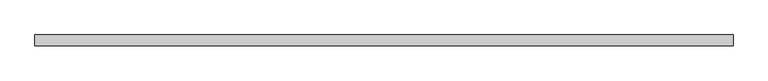
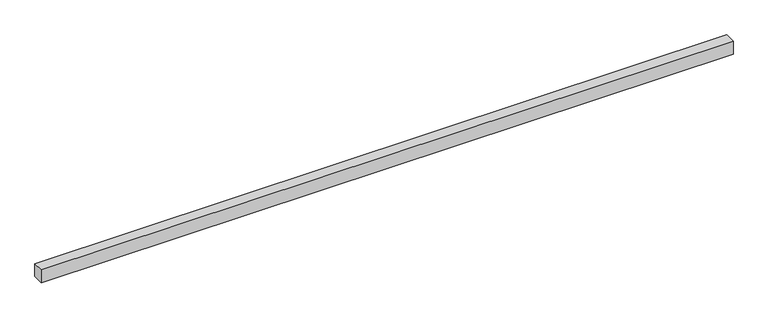
"""IFC4 building model written with IfcOpenShell, lengths in millimetres: proxy geometry."""

import ifcopenshell
import ifcopenshell.guid

model = None  # the IFC model being written
_history = None  # IfcOwnerHistory: only IFC2X3 demands one
_inside = {}  # id of a spatial element -> (the spatial element, [elements in it])
_under = {}  # id of a project, library or spatial element -> (it, [spatial elements below it])
_declared = {}  # id of a project -> (the project, [libraries it declares])
_typed = {}  # id of a type object -> (the type object, [elements of that type])
_made_of = {}  # id of a material, layer set ... -> (it, [elements and type objects made of it])


def new_model(schema):
    """Start an empty IFC model of exactly this schema.

    Asked for "IFC4X3", IfcOpenShell would pick the latest addendum, in which some entities
    have other attributes; the version numbers below select the first issue.
    IFC2X3 requires an IfcOwnerHistory on every rooted entity: one is made here for all.
    """
    global model, _history
    if schema == "IFC4X3":
        model = ifcopenshell.file(schema_version=(4, 3, 0, 0))
    else:
        model = ifcopenshell.file(schema=schema)
    _inside.clear()
    _under.clear()
    _declared.clear()
    _typed.clear()
    _made_of.clear()
    _history = None
    if model.schema == "IFC2X3":
        org = make("IfcOrganization", Name="unknown")
        user = make(
            "IfcPersonAndOrganization",
            ThePerson=make("IfcPerson", FamilyName="unknown"),
            TheOrganization=org,
        )
        app = make(
            "IfcApplication",
            ApplicationDeveloper=org,
            Version="unknown",
            ApplicationFullName="unknown",
            ApplicationIdentifier="unknown",
        )
        _history = make(
            "IfcOwnerHistory",
            OwningUser=user,
            OwningApplication=app,
            ChangeAction="ADDED",
            CreationDate=0,
        )
    return model


def make(cls, **values):
    """One entity of the class cls with the attributes given. An attribute that is None is left unset."""
    return model.create_entity(
        cls, **{name: value for name, value in values.items() if value is not None}
    )


def rooted(cls, **values):
    """An entity with a GlobalId (a new one), such as an element, a storey or a relation."""
    return make(cls, GlobalId=ifcopenshell.guid.new(), OwnerHistory=_history, **values)


def si_unit(unit_type, name, prefix=None):
    """IfcSIUnit, for example si_unit("LENGTHUNIT", "METRE", prefix="MILLI")."""
    return make("IfcSIUnit", UnitType=unit_type, Prefix=prefix, Name=name)


def assignment(units):
    """IfcUnitAssignment: the units of a project."""
    return None if units is None else make("IfcUnitAssignment", Units=units)


def point(xyz):
    """IfcCartesianPoint."""
    return None if xyz is None else make("IfcCartesianPoint", Coordinates=xyz)


def direction(xyz):
    """IfcDirection."""
    return None if xyz is None else make("IfcDirection", DirectionRatios=xyz)


def frame(location, z_axis=None, x_axis=None):
    """IfcAxis2Placement3D, a coordinate frame: its origin and axes. An axis left out is left unset."""
    return make(
        "IfcAxis2Placement3D",
        Location=point(location),
        Axis=direction(z_axis),
        RefDirection=direction(x_axis),
    )


def origin():
    """The frame at (0, 0, 0) with its axes left unset."""
    return frame((0.0, 0.0, 0.0))


def place(relative_to, where):
    """IfcLocalPlacement: puts the frame where relative to a parent placement (None: the world)."""
    return make(
        "IfcLocalPlacement", PlacementRelTo=relative_to, RelativePlacement=where
    )


def context(
    kind, dimensions, precision=None, world=None, true_north=None, identifier=None
):
    """IfcGeometricRepresentationContext, for example the 3D "Model" context."""
    return make(
        "IfcGeometricRepresentationContext",
        ContextIdentifier=identifier,
        ContextType=kind,
        CoordinateSpaceDimension=dimensions,
        Precision=precision,
        WorldCoordinateSystem=world,
        TrueNorth=true_north,
    )


def project(units=None, contexts=None):
    """IfcProject with its units and contexts."""
    return rooted(
        "IfcProject",
        Name="project",
        RepresentationContexts=contexts,
        UnitsInContext=assignment(units),
    )


def spatial(cls, under=None, at=None, **own):
    """A site, building, storey or space (cls), placed at a placement, below another one or the project."""
    s = rooted(cls, ObjectPlacement=at, **own)
    if under is not None:
        _under.setdefault(under.id(), (under, []))[1].append(s)
    return s


def polyline(points):
    """IfcPolyline through the points."""
    return make("IfcPolyline", Points=[point(p) for p in points])


def outline(outer, holes=None, kind="AREA"):
    """IfcArbitraryClosedProfileDef: a profile drawn as a closed curve; with holes, ...WithVoids."""
    if holes is None:
        return make("IfcArbitraryClosedProfileDef", ProfileType=kind, OuterCurve=outer)
    return make(
        "IfcArbitraryProfileDefWithVoids",
        ProfileType=kind,
        OuterCurve=outer,
        InnerCurves=holes,
    )


def extrude(swept, where, along, depth):
    """IfcExtrudedAreaSolid: the profile swept, set in the frame where, extruded along a direction by depth."""
    return make(
        "IfcExtrudedAreaSolid",
        SweptArea=swept,
        Position=where,
        ExtrudedDirection=direction(along),
        Depth=depth,
    )


def shape(context_of_items, identifier, shape_type, items):
    """IfcShapeRepresentation: the items that make up one representation, for example the "Body"."""
    return make(
        "IfcShapeRepresentation",
        ContextOfItems=context_of_items,
        RepresentationIdentifier=identifier,
        RepresentationType=shape_type,
        Items=items,
    )


def source(mapping_origin, context_of_items, identifier, shape_type, items):
    """IfcRepresentationMap: a shape defined once, which mapped items show again and again."""
    return make(
        "IfcRepresentationMap",
        MappingOrigin=mapping_origin,
        MappedRepresentation=shape(context_of_items, identifier, shape_type, items),
    )


def transform(
    local_origin,
    x_axis=None,
    y_axis=None,
    z_axis=None,
    scale=None,
    scale2=None,
    scale3=None,
    uniform=True,
):
    """IfcCartesianTransformationOperator3D, or its non-uniform kind. x_axis, y_axis, z_axis: its Axis1, 2, 3."""
    if uniform:
        return make(
            "IfcCartesianTransformationOperator3D",
            Axis1=direction(x_axis),
            Axis2=direction(y_axis),
            LocalOrigin=point(local_origin),
            Scale=scale,
            Axis3=direction(z_axis),
        )
    return make(
        "IfcCartesianTransformationOperator3DnonUniform",
        Axis1=direction(x_axis),
        Axis2=direction(y_axis),
        LocalOrigin=point(local_origin),
        Scale=scale,
        Axis3=direction(z_axis),
        Scale2=scale2,
        Scale3=scale3,
    )


def mapped(mapping_source, mapping_target):
    """IfcMappedItem: shows the shape of a source again, moved by a transform."""
    return make(
        "IfcMappedItem", MappingSource=mapping_source, MappingTarget=mapping_target
    )


def made_of(thing, what):
    """Note that an element or type object is made of a material, layer set ...; save() writes the relation."""
    if what is not None:
        _made_of.setdefault(what.id(), (what, []))[1].append(thing)
    return thing


def element(
    cls,
    number,
    at=None,
    inside=None,
    cuts=None,
    type_object=None,
    material=None,
    context=None,
    identifier="Body",
    shape_type=None,
    held_by="IfcProductDefinitionShape",
    body=None,
    shapes=None,
    **own,
):
    """One element of the class cls, such as IfcWall. Its Tag is "e" and its number.

    at: its placement. inside: the storey or other place that contains it. cuts: it is an
    opening in that element (IfcRelVoidsElement). A single representation is given by context,
    identifier, shape_type and body (its items); several are given by shapes. held_by: the class
    of the entity that holds the representations. save() writes the other relations.
    """
    e = rooted(cls, Tag="e%d" % number, ObjectPlacement=at, **own)
    if body is not None:
        shapes = [shape(context, identifier, shape_type, body)]
    if shapes is not None:
        e.Representation = make(held_by, Representations=shapes)
    if inside is not None:
        _inside.setdefault(inside.id(), (inside, []))[1].append(e)
    if cuts is not None:
        rooted(
            "IfcRelVoidsElement", RelatingBuildingElement=cuts, RelatedOpeningElement=e
        )
    if type_object is not None:
        _typed.setdefault(type_object.id(), (type_object, []))[1].append(e)
    return made_of(e, material)


def aggregate(whole, parts):
    """IfcRelAggregates: a whole, such as a stair, and the parts it consists of."""
    return rooted("IfcRelAggregates", RelatingObject=whole, RelatedObjects=parts)


def save(model, path):
    """Write the relations noted so far, then the file.

    IfcRelAggregates (storeys below a building ...), IfcRelContainedInSpatialStructure (elements
    in a storey), IfcRelDefinesByType, IfcRelAssociatesMaterial and IfcRelDeclares: one each for
    every whole, place, type object, material and project.
    """
    for whole, parts in _under.values():
        aggregate(whole, parts)
    for where, things in _inside.values():
        rooted(
            "IfcRelContainedInSpatialStructure",
            RelatedElements=things,
            RelatingStructure=where,
        )
    for kind, things in _typed.values():
        rooted("IfcRelDefinesByType", RelatedObjects=things, RelatingType=kind)
    for what, things in _made_of.values():
        rooted("IfcRelAssociatesMaterial", RelatedObjects=things, RelatingMaterial=what)
    for by, libraries in _declared.values():
        rooted("IfcRelDeclares", RelatingContext=by, RelatedDefinitions=libraries)
    model.write(path)


def generic_models_5d428e50(model_context):
    return source(origin(), model_context, "Body", "SweptSolid", [
        extrude(outline(polyline([(40.0, 0.0), (-40.0, 0.0), (-40.0, 5080.0), (40.0, 5080.0), (40.0, 0.0)])), frame((5080.0, 0.0, 0.0), z_axis=(0.0, -1.9783474858313244e-12, 1.0), x_axis=(0.0, 1.0, 1.9783474858313244e-12)), (0.0, 0.0, 1.0), 100.0),
    ])


if __name__ == "__main__":
    model = new_model("IFC4")
    model_context = context("Model", 3, world=origin())
    ifc_project = project(units=[si_unit("LENGTHUNIT", "METRE", prefix="MILLI")], contexts=[model_context])
    site = spatial("IfcSite", under=ifc_project)
    building = spatial("IfcBuilding", under=site)
    placement = place(None, origin())
    generic_models_shape = generic_models_5d428e50(model_context)
    element("IfcBuildingElementProxy", 1, Name="Generic Models", at=placement, inside=building, context=model_context, shape_type="MappedRepresentation", body=[
        mapped(generic_models_shape, transform((0.0, 0.0, 0.0), x_axis=(1.0, 0.0, 0.0), y_axis=(0.0, 1.0, 0.0), z_axis=(0.0, 0.0, 1.0))),
    ])
    save(model, "model.ifc")
